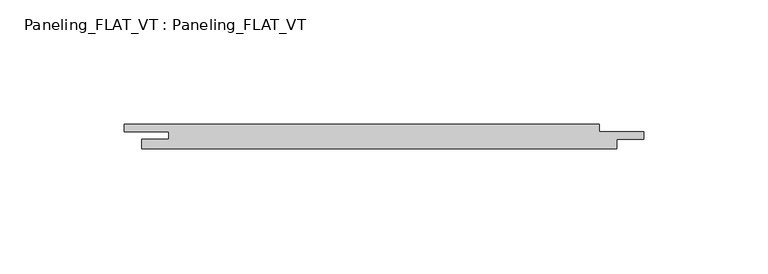
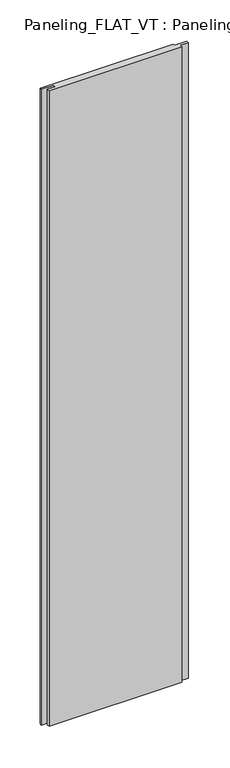
"""IFC4 building model written with IfcOpenShell, lengths in millimetres: plate geometry, Paneling_FLAT_VT : Paneling_FLAT_VT."""

from ifc_helpers import new_model, si_unit, origin, origin_with_axes, place, context, project, spatial, polyline, outline, extrude, source, transform, mapped, element, save


def paneling_flat_vt_paneling_flat_vt_4b06f123(model_context):
    return source(origin(), model_context, "Body", "SweptSolid", [
        extrude(outline(polyline([(88.65, 5.0), (88.65, 2.0), (106.65, 2.0), (106.65, -1.0), (95.65, -1.0), (95.65, -5.0), (-95.65, -5.0), (-95.65, -1.0), (-84.65, -1.0), (-84.65, 2.0), (-102.65, 2.0), (-102.65, 5.0), (88.65, 5.0)])), origin_with_axes(), (0.0, 0.0, 1.0), 966.8),
    ])


if __name__ == "__main__":
    model = new_model("IFC4")
    model_context = context("Model", 3, world=origin())
    ifc_project = project(units=[si_unit("LENGTHUNIT", "METRE", prefix="MILLI")], contexts=[model_context])
    site = spatial("IfcSite", under=ifc_project)
    building = spatial("IfcBuilding", under=site)
    placement = place(None, origin())
    paneling_flat_vt_paneling_flat_vt_shape = paneling_flat_vt_paneling_flat_vt_4b06f123(model_context)
    element("IfcPlate", 1, ObjectType="Paneling_FLAT_VT : Paneling_FLAT_VT", at=placement, inside=building, context=model_context, shape_type="MappedRepresentation", body=[
        mapped(paneling_flat_vt_paneling_flat_vt_shape, transform((0.0, 0.0, 0.0), x_axis=(1.0, 0.0, 0.0), y_axis=(0.0, 1.0, 0.0), z_axis=(0.0, 0.0, 1.0))),
    ])
    save(model, "model.ifc")
